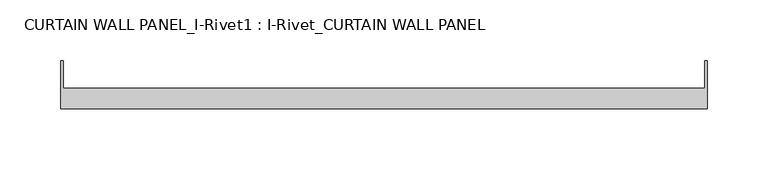
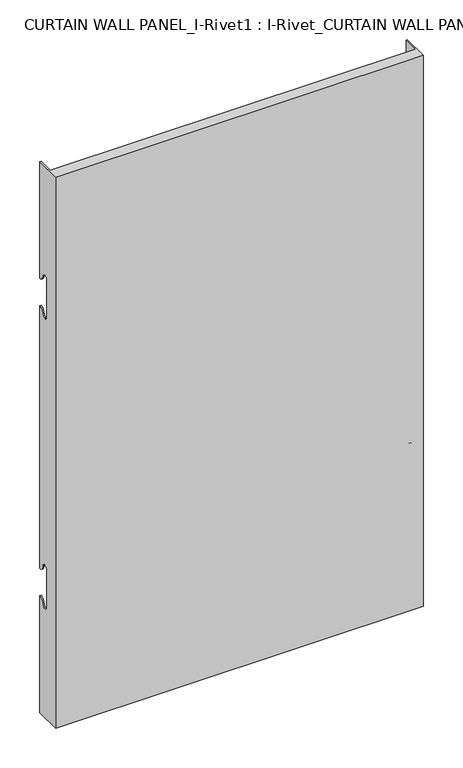
"""IFC4 building model written with IfcOpenShell, lengths in millimetres: plate geometry, CURTAIN WALL PANEL_I-Rivet1 : I-Rivet_CURTAIN WALL PANEL."""

from ifc_helpers import new_model, si_unit, frame, origin, place, context, project, spatial, polyline, circle_curve, source, transform, mapped, element, save
from ifc_brep_helpers import plane_surface, cylinder_surface, revolved_surface, advanced_brep


def curtain_wall_panel_i_rivet1_i_rivet_curtain_wall_panel_40e55914(model_context):
    return source(origin(), model_context, "Body", "AdvancedBrep", [
        advanced_brep(
        [(-266.612674, -85.0, 845.0), (266.612674, -85.0, 845.0), (266.612674, -45.3384103, 845.0), (264.612674, -45.3384103, 845.0), (264.612674, -68.0, 845.0), (-264.612674, -68.0, 845.0), (-264.612674, -45.3384103, 845.0), (-266.612674, -45.3384103, 845.0), (-266.612674, -85.0, 0.0), (-266.612674, -45.3384103, 0.0), (-264.612674, -45.3384103, 0.0), (-264.612674, -68.0, 0.0), (264.612674, -68.0, 0.0), (264.612674, -45.3384103, 0.0), (266.612674, -45.3384103, 0.0), (266.612674, -85.0, 0.0), (-266.612674, -45.3384103, 666.0), (-266.612674, -52.3384103, 673.0), (-266.612674, -63.3384103, 673.0), (-266.612674, -63.3384103, 617.0), (-266.612674, -52.3384103, 617.0), (-266.612674, -45.3384103, 624.0), (-266.612674, -45.3384103, 221.0), (-266.612674, -52.3384103, 228.0), (-266.612674, -63.3384103, 228.0), (-266.612674, -63.3384103, 172.0), (-266.612674, -52.3384103, 172.0), (-266.612674, -45.3384103, 179.0), (-264.612674, -45.3384103, 179.0), (-264.612674, -45.3384103, 624.0), (-264.612674, -45.3384103, 221.0), (-264.612674, -45.3384103, 666.0), (266.612674, -45.3384103, 666.0), (264.612674, -45.3384103, 666.0), (264.612674, -45.3384103, 179.0), (266.612674, -45.3384103, 179.0), (264.612674, -45.3384103, 221.0), (264.612674, -45.3384103, 624.0), (266.612674, -45.3384103, 624.0), (266.612674, -45.3384103, 221.0), (266.612674, -52.3384103, 172.0), (266.612674, -63.3384103, 172.0), (266.612674, -63.3384103, 228.0), (266.612674, -52.3384103, 228.0), (266.612674, -52.3384103, 617.0), (266.612674, -63.3384103, 617.0), (266.612674, -63.3384103, 673.0), (266.612674, -52.3384103, 673.0), (-264.612674, -52.3384103, 172.0), (-264.612674, -63.3384103, 172.0), (-264.612674, -63.3384103, 228.0), (-264.612674, -52.3384103, 228.0), (-264.612674, -52.3384103, 617.0), (-264.612674, -63.3384103, 617.0), (-264.612674, -63.3384103, 673.0), (-264.612674, -52.3384103, 673.0), (264.612674, -52.3384103, 673.0), (264.612674, -63.3384103, 673.0), (264.612674, -63.3384103, 617.0), (264.612674, -52.3384103, 617.0), (264.612674, -52.3384103, 228.0), (264.612674, -63.3384103, 228.0), (264.612674, -63.3384103, 172.0), (264.612674, -52.3384103, 172.0)],
        [
            (0, 1),
            (1, 2),
            (2, 3),
            (3, 4),
            (4, 5),
            (5, 6),
            (6, 7),
            (7, 0),
            (8, 9),
            (9, 10),
            (10, 11),
            (11, 12),
            (12, 13),
            (13, 14),
            (14, 15),
            (15, 8),
            (7, 16),
            (16, 17, circle_curve(frame((-266.612674, -45.3384103, 673.0), z_axis=(-1.0, 0.0, 0.0), x_axis=(0.0, -1.0, 0.0)), 7.0)),
            (17, 18, circle_curve(frame((-266.612674, -57.8384103, 673.0), z_axis=(1.0, 0.0, 0.0), x_axis=(0.0, -1.0, 0.0)), 5.5)),
            (18, 19),
            (19, 20, circle_curve(frame((-266.612674, -57.8384103, 617.0), z_axis=(1.0, 0.0, 0.0), x_axis=(0.0, -1.0, 0.0)), 5.5)),
            (20, 21, circle_curve(frame((-266.612674, -45.3384103, 617.0), z_axis=(-1.0, 0.0, 0.0), x_axis=(0.0, -1.0, 0.0)), 7.0)),
            (21, 22),
            (22, 23, circle_curve(frame((-266.612674, -45.3384103, 228.0), z_axis=(-1.0, 0.0, 0.0), x_axis=(0.0, -1.0, 0.0)), 7.0)),
            (23, 24, circle_curve(frame((-266.612674, -57.8384103, 228.0), z_axis=(1.0, 0.0, 0.0), x_axis=(0.0, -1.0, 0.0)), 5.5)),
            (24, 25),
            (25, 26, circle_curve(frame((-266.612674, -57.8384103, 172.0), z_axis=(1.0, 0.0, 0.0), x_axis=(0.0, -1.0, 0.0)), 5.5)),
            (26, 27, circle_curve(frame((-266.612674, -45.3384103, 172.0), z_axis=(-1.0, 0.0, 0.0), x_axis=(0.0, -1.0, 0.0)), 7.0)),
            (27, 9),
            (8, 0),
            (27, 28),
            (28, 10),
            (21, 29),
            (29, 30),
            (30, 22),
            (6, 31),
            (31, 16),
            (2, 32),
            (32, 33),
            (33, 3),
            (13, 34),
            (34, 35),
            (35, 14),
            (36, 37),
            (37, 38),
            (38, 39),
            (39, 36),
            (1, 15),
            (35, 40, circle_curve(frame((266.612674, -45.3384103, 172.0), z_axis=(1.0, 0.0, 0.0), x_axis=(0.0, -1.0, 0.0)), 7.0)),
            (40, 41, circle_curve(frame((266.612674, -57.8384103, 172.0), z_axis=(-1.0, 0.0, 0.0), x_axis=(0.0, -1.0, 0.0)), 5.5)),
            (41, 42),
            (42, 43, circle_curve(frame((266.612674, -57.8384103, 228.0), z_axis=(-1.0, 0.0, 0.0), x_axis=(0.0, -1.0, 0.0)), 5.5)),
            (43, 39, circle_curve(frame((266.612674, -45.3384103, 228.0), z_axis=(1.0, 0.0, 0.0), x_axis=(0.0, -1.0, 0.0)), 7.0)),
            (38, 44, circle_curve(frame((266.612674, -45.3384103, 617.0), z_axis=(1.0, 0.0, 0.0), x_axis=(0.0, -1.0, 0.0)), 7.0)),
            (44, 45, circle_curve(frame((266.612674, -57.8384103, 617.0), z_axis=(-1.0, 0.0, 0.0), x_axis=(0.0, -1.0, 0.0)), 5.5)),
            (45, 46),
            (46, 47, circle_curve(frame((266.612674, -57.8384103, 673.0), z_axis=(-1.0, 0.0, 0.0), x_axis=(0.0, -1.0, 0.0)), 5.5)),
            (47, 32, circle_curve(frame((266.612674, -45.3384103, 673.0), z_axis=(1.0, 0.0, 0.0), x_axis=(0.0, -1.0, 0.0)), 7.0)),
            (5, 11),
            (28, 48, circle_curve(frame((-264.612674, -45.3384103, 172.0), z_axis=(1.0, 0.0, 0.0), x_axis=(0.0, -1.0, 0.0)), 7.0)),
            (48, 49, circle_curve(frame((-264.612674, -57.8384103, 172.0), z_axis=(-1.0, 0.0, 0.0), x_axis=(0.0, -1.0, 0.0)), 5.5)),
            (49, 50),
            (50, 51, circle_curve(frame((-264.612674, -57.8384103, 228.0), z_axis=(-1.0, 0.0, 0.0), x_axis=(0.0, -1.0, 0.0)), 5.5)),
            (51, 30, circle_curve(frame((-264.612674, -45.3384103, 228.0), z_axis=(1.0, 0.0, 0.0), x_axis=(0.0, -1.0, 0.0)), 7.0)),
            (29, 52, circle_curve(frame((-264.612674, -45.3384103, 617.0), z_axis=(1.0, 0.0, 0.0), x_axis=(0.0, -1.0, 0.0)), 7.0)),
            (52, 53, circle_curve(frame((-264.612674, -57.8384103, 617.0), z_axis=(-1.0, 0.0, 0.0), x_axis=(0.0, -1.0, 0.0)), 5.5)),
            (53, 54),
            (54, 55, circle_curve(frame((-264.612674, -57.8384103, 673.0), z_axis=(-1.0, 0.0, 0.0), x_axis=(0.0, -1.0, 0.0)), 5.5)),
            (55, 31, circle_curve(frame((-264.612674, -45.3384103, 673.0), z_axis=(1.0, 0.0, 0.0), x_axis=(0.0, -1.0, 0.0)), 7.0)),
            (33, 56, circle_curve(frame((264.612674, -45.3384103, 673.0), z_axis=(-1.0, 0.0, 0.0), x_axis=(0.0, -1.0, 0.0)), 7.0)),
            (56, 57, circle_curve(frame((264.612674, -57.8384103, 673.0), z_axis=(1.0, 0.0, 0.0), x_axis=(0.0, -1.0, 0.0)), 5.5)),
            (57, 58),
            (58, 59, circle_curve(frame((264.612674, -57.8384103, 617.0), z_axis=(1.0, 0.0, 0.0), x_axis=(0.0, -1.0, 0.0)), 5.5)),
            (59, 37, circle_curve(frame((264.612674, -45.3384103, 617.0), z_axis=(-1.0, 0.0, 0.0), x_axis=(0.0, -1.0, 0.0)), 7.0)),
            (36, 60, circle_curve(frame((264.612674, -45.3384103, 228.0), z_axis=(-1.0, 0.0, 0.0), x_axis=(0.0, -1.0, 0.0)), 7.0)),
            (60, 61, circle_curve(frame((264.612674, -57.8384103, 228.0), z_axis=(1.0, 0.0, 0.0), x_axis=(0.0, -1.0, 0.0)), 5.5)),
            (61, 62),
            (62, 63, circle_curve(frame((264.612674, -57.8384103, 172.0), z_axis=(1.0, 0.0, 0.0), x_axis=(0.0, -1.0, 0.0)), 5.5)),
            (63, 34, circle_curve(frame((264.612674, -45.3384103, 172.0), z_axis=(-1.0, 0.0, 0.0), x_axis=(0.0, -1.0, 0.0)), 7.0)),
            (12, 4),
            (41, 62),
            (61, 42),
            (49, 25),
            (24, 50),
            (40, 63),
            (48, 26),
            (51, 23),
            (43, 60),
            (18, 54),
            (53, 19),
            (57, 46),
            (45, 58),
            (17, 55),
            (56, 47),
            (59, 44),
            (20, 52),
        ],
        [
            plane_surface(frame((-266.612674, -45.3384103, 845.0), z_axis=(0.0, 0.0, 1.0), x_axis=(0.0, 1.0, 0.0))),
            plane_surface(frame((-266.612674, -45.3384103, 0.0), z_axis=(0.0, 0.0, -1.0), x_axis=(0.0, -1.0, 0.0))),
            plane_surface(frame((-266.612674, -85.0, 845.0), z_axis=(-1.0, 0.0, 0.0), x_axis=(0.0, 0.0, -1.0))),
            plane_surface(frame((-266.612674, -45.3384103, 845.0), z_axis=(0.0, 1.0, 0.0), x_axis=(0.0, 0.0, -1.0))),
            plane_surface(frame((264.612674, -45.3384103, 845.0), z_axis=(0.0, 1.0, 0.0), x_axis=(0.0, 0.0, -1.0))),
            plane_surface(frame((266.612674, -45.3384103, 845.0), z_axis=(1.0, 0.0, 0.0), x_axis=(0.0, 0.0, -1.0))),
            plane_surface(frame((266.612674, -85.0, 845.0), z_axis=(0.0, -1.0, 0.0), x_axis=(0.0, 0.0, -1.0))),
            plane_surface(frame((-264.612674, -45.3384103, 845.0), z_axis=(1.0, 0.0, 0.0), x_axis=(0.0, 0.0, -1.0))),
            plane_surface(frame((264.612674, -68.0, 845.0), z_axis=(-1.0, 0.0, 0.0), x_axis=(0.0, 0.0, -1.0))),
            plane_surface(frame((-265.612674, -68.0, 845.0), z_axis=(0.0, 1.0, 0.0), x_axis=(0.0, 0.0, -1.0))),
            plane_surface(frame((-266.612674, -63.3384103, 228.0), z_axis=(0.0, 1.0, 0.0), x_axis=(1.0, 0.0, 0.0))),
            revolved_surface(polyline([(264.612674, -63.3384103, 172.0), (266.612674, -63.3384103, 172.0)]), (-266.612674, -57.8384103, 172.0), (-1.0, 0.0, 0.0)),
            revolved_surface(polyline([(-266.612674, -63.3384103, 172.0), (-264.612674, -63.3384103, 172.0)]), (-266.612674, -57.8384103, 172.0), (-1.0, 0.0, 0.0)),
            cylinder_surface(frame((-266.612674, -45.3384103, 172.0), z_axis=(1.0, 0.0, 0.0), x_axis=(0.0, -1.0, 0.0)), 7.0),
            cylinder_surface(frame((-266.612674, -45.3384103, 228.0), z_axis=(1.0, 0.0, 0.0), x_axis=(0.0, -1.0, 0.0)), 7.0),
            revolved_surface(polyline([(-266.612674, -63.3384103, 228.0), (-264.612674, -63.3384103, 228.0)]), (-266.612674, -57.8384103, 228.0), (-1.0, 0.0, 0.0)),
            revolved_surface(polyline([(264.612674, -63.3384103, 228.0), (266.612674, -63.3384103, 228.0)]), (-266.612674, -57.8384103, 228.0), (-1.0, 0.0, 0.0)),
            plane_surface(frame((266.612674, -63.3384103, 617.0), z_axis=(0.0, 1.0, 0.0), x_axis=(-1.0, 0.0, 0.0))),
            revolved_surface(polyline([(-264.612674, -63.3384103, 673.0), (-266.612674, -63.3384103, 673.0)]), (266.612674, -57.8384103, 673.0), (1.0, 0.0, 0.0)),
            revolved_surface(polyline([(266.612674, -63.3384103, 673.0), (264.612674, -63.3384103, 673.0)]), (266.612674, -57.8384103, 673.0), (1.0, 0.0, 0.0)),
            cylinder_surface(frame((266.612674, -45.3384103, 673.0), z_axis=(-1.0, 0.0, 0.0), x_axis=(0.0, -1.0, 0.0)), 7.0),
            cylinder_surface(frame((266.612674, -45.3384103, 617.0), z_axis=(-1.0, 0.0, 0.0), x_axis=(0.0, -1.0, 0.0)), 7.0),
            revolved_surface(polyline([(266.612674, -63.3384103, 617.0), (264.612674, -63.3384103, 617.0)]), (266.612674, -57.8384103, 617.0), (1.0, 0.0, 0.0)),
            revolved_surface(polyline([(-264.612674, -63.3384103, 617.0), (-266.612674, -63.3384103, 617.0)]), (266.612674, -57.8384103, 617.0), (1.0, 0.0, 0.0)),
        ],
        [
            (0, [[1, 2, 3, 4, 5, 6, 7, 8]]),
            (1, [[9, 10, 11, 12, 13, 14, 15, 16]]),
            (2, [[17, 18, 19, 20, 21, 22, 23, 24, 25, 26, 27, 28, 29, -9, 30, -8]]),
            (3, [[-29, 31, 32, -10]]),
            (3, [[-23, 33, 34, 35]]),
            (3, [[36, 37, -17, -7]]),
            (4, [[38, 39, 40, -3]]),
            (4, [[41, 42, 43, -14]]),
            (4, [[44, 45, 46, 47]]),
            (5, [[48, -15, -43, 49, 50, 51, 52, 53, -46, 54, 55, 56, 57, 58, -38, -2]]),
            (6, [[-30, -16, -48, -1]]),
            (7, [[59, -11, -32, 60, 61, 62, 63, 64, -34, 65, 66, 67, 68, 69, -36, -6]]),
            (8, [[-40, 70, 71, 72, 73, 74, -44, 75, 76, 77, 78, 79, -41, -13, 80, -4]]),
            (9, [[-80, -12, -59, -5]]),
            (10, [[-51, 81, -77, 82]]),
            (10, [[-62, 83, -26, 84]]),
            (11, [[-50, 85, -78, -81]]),
            (12, [[-61, 86, -27, -83]]),
            (13, [[-49, -42, -79, -85]]),
            (13, [[-60, -31, -28, -86]]),
            (14, [[-24, -35, -64, 87]]),
            (14, [[-75, -47, -53, 88]]),
            (15, [[-25, -87, -63, -84]]),
            (16, [[-76, -88, -52, -82]]),
            (17, [[-20, 89, -67, 90]]),
            (17, [[-72, 91, -56, 92]]),
            (18, [[-19, 93, -68, -89]]),
            (19, [[-71, 94, -57, -91]]),
            (20, [[-18, -37, -69, -93]]),
            (20, [[-70, -39, -58, -94]]),
            (21, [[-54, -45, -74, 95]]),
            (21, [[-65, -33, -22, 96]]),
            (22, [[-55, -95, -73, -92]]),
            (23, [[-66, -96, -21, -90]]),
        ],
    ),
    ])


if __name__ == "__main__":
    model = new_model("IFC4")
    model_context = context("Model", 3, world=origin())
    ifc_project = project(units=[si_unit("LENGTHUNIT", "METRE", prefix="MILLI")], contexts=[model_context])
    site = spatial("IfcSite", under=ifc_project)
    building = spatial("IfcBuilding", under=site)
    placement = place(None, origin())
    curtain_wall_panel_i_rivet1_i_rivet_curtain_wall_panel_shape = curtain_wall_panel_i_rivet1_i_rivet_curtain_wall_panel_40e55914(model_context)
    element("IfcPlate", 1, ObjectType="CURTAIN WALL PANEL_I-Rivet1 : I-Rivet_CURTAIN WALL PANEL", at=placement, inside=building, context=model_context, shape_type="MappedRepresentation", body=[
        mapped(curtain_wall_panel_i_rivet1_i_rivet_curtain_wall_panel_shape, transform((0.0, 0.0, 0.0), x_axis=(1.0, 0.0, 0.0), y_axis=(0.0, 1.0, 0.0), z_axis=(0.0, 0.0, 1.0))),
    ])
    save(model, "model.ifc")
